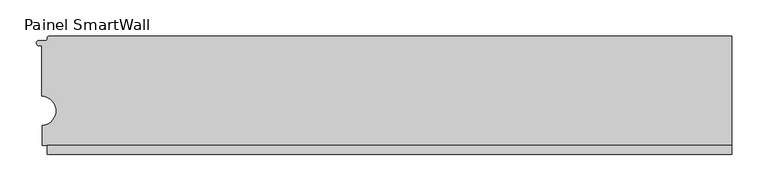
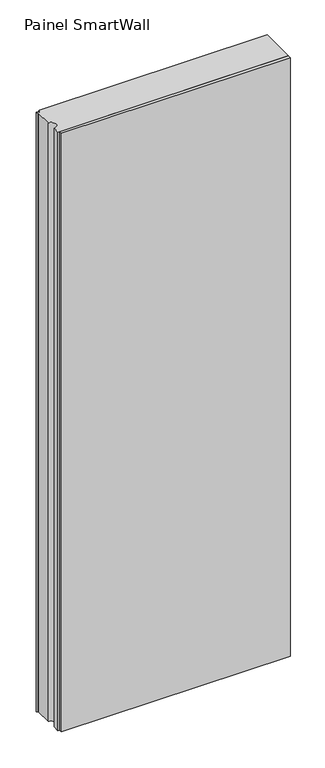
"""IFC4 building model written with IfcOpenShell, lengths in millimetres: proxy geometry, Painel SmartWall."""

from ifc_helpers import new_model, si_unit, point, frame_2d, origin, origin_with_axes, place, context, project, spatial, polyline, circle_curve, trimmed, segment, composite_curve, outline, extrude, source, transform, mapped, element, save


def painel_smartwall_412fdc33(model_context):
    return source(origin(), model_context, "Body", "SweptSolid", [
        extrude(outline(polyline([(-557.3296463, -75.0), (382.5476627, -75.0), (382.5476627, -87.5), (-557.3296463, -87.5), (-557.3296463, -75.0)])), origin_with_axes(), (0.0, 0.0, 1.0), 2600.0),
        extrude(outline(composite_curve([segment(trimmed(circle_curve(frame_2d((-568.6450696, 65.6619804)), 3.4568979), [point((-568.6450696, 62.2050825))], [point((-568.6450696, 69.1188783))], False, "CARTESIAN"), True, "CONTINUOUS"), segment(polyline([(-568.6450696, 69.1188783), (-558.8296463, 69.1188783)]), True, "CONTINUOUS"), segment(trimmed(circle_curve(frame_2d((-558.8296463, 70.6188783)), 1.5), [point((-558.8296463, 69.1188783))], [point((-557.3296463, 70.6188783))], True, "CARTESIAN"), True, "CONTINUOUS"), segment(polyline([(-557.3296463, 70.6188783), (-557.3296463, 72.5)]), True, "CONTINUOUS"), segment(trimmed(circle_curve(frame_2d((-554.8296463, 72.5)), 2.5), [point((-557.3296463, 72.5))], [point((-554.8296463, 75.0))], False, "CARTESIAN"), True, "CONTINUOUS"), segment(polyline([(-554.8296463, 75.0), (382.5476627, 75.0), (382.5476627, -75.0), (-563.9, -75.0), (-563.9, -47.615849)]), True, "CONTINUOUS"), segment(trimmed(circle_curve(frame_2d((-565.0726436, -27.5776508)), 20.0724806), [point((-563.9, -47.615849))], [point((-565.0, -7.5053016))], True, "CARTESIAN"), True, "CONTINUOUS"), segment(polyline([(-565.0, -7.5053016), (-565.0, 62.2050825), (-568.6450696, 62.2050825)]), True, "CONTINUOUS")], self_intersect=False)), origin_with_axes(), (0.0, 0.0, 1.0), 2600.0),
    ])


if __name__ == "__main__":
    model = new_model("IFC4")
    model_context = context("Model", 3, world=origin())
    ifc_project = project(units=[si_unit("LENGTHUNIT", "METRE", prefix="MILLI")], contexts=[model_context])
    site = spatial("IfcSite", under=ifc_project)
    building = spatial("IfcBuilding", under=site)
    placement = place(None, origin())
    painel_smartwall_shape = painel_smartwall_412fdc33(model_context)
    element("IfcBuildingElementProxy", 1, Name="Painel SmartWall", ObjectType="Painel SmartWall", at=placement, inside=building, context=model_context, shape_type="MappedRepresentation", body=[
        mapped(painel_smartwall_shape, transform((0.0, 0.0, 0.0), x_axis=(1.0, 0.0, 0.0), y_axis=(0.0, 1.0, 0.0), z_axis=(0.0, 0.0, 1.0))),
    ])
    save(model, "model.ifc")
